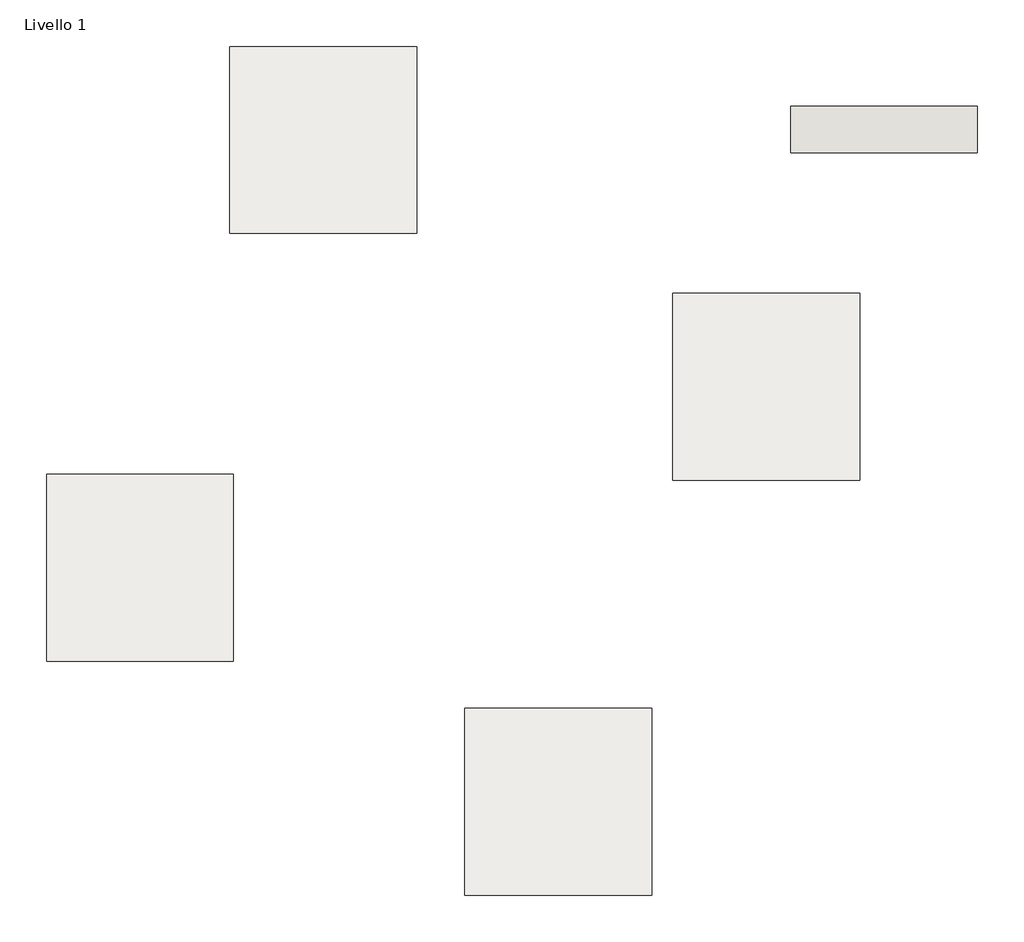
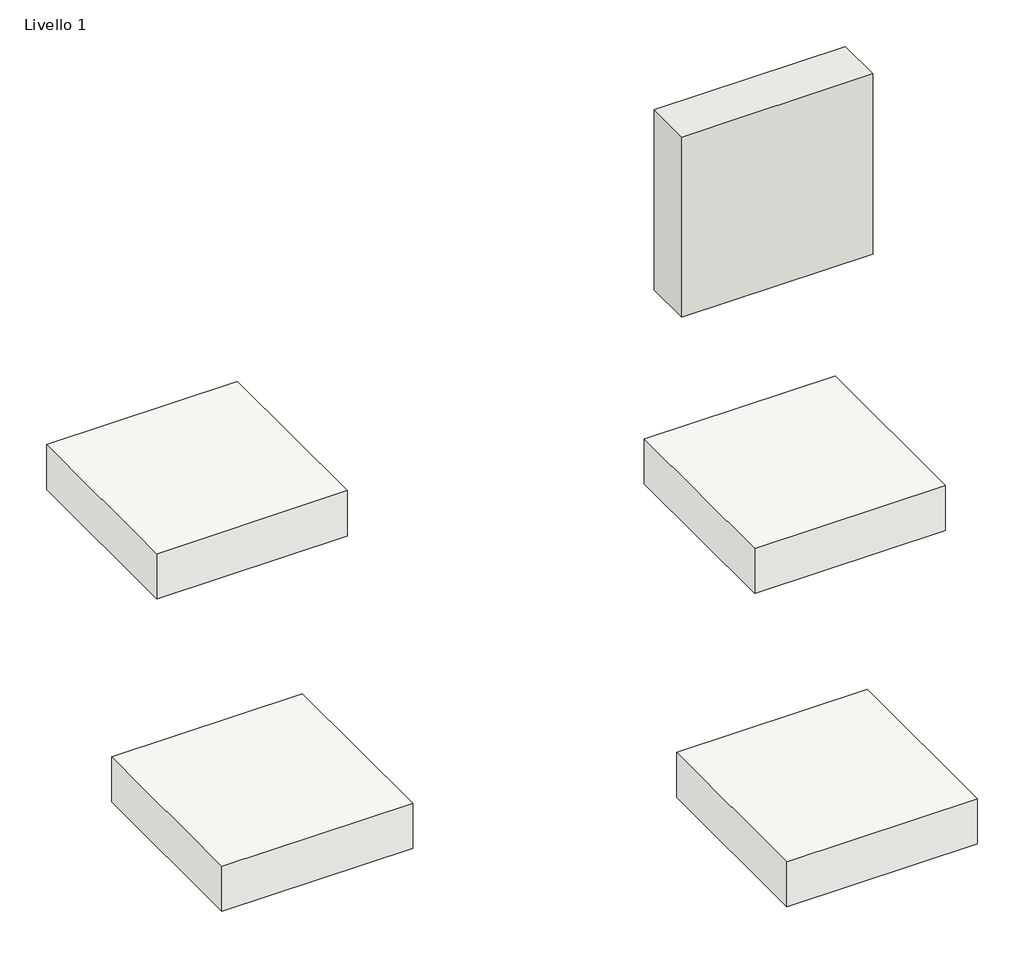
# One storey: 4 slabs, 1 wall.
"""IFC4 building model written with IfcOpenShell, lengths in millimetres."""

from ifc_helpers import new_model, si_unit, frame, origin, origin_with_axes, place, context, project, spatial, polyline, outline, extrude, element, save

model = new_model("IFC4")

# Units and contexts
model_context = context("Model", 3, world=origin())
ifc_project = project(units=[si_unit("LENGTHUNIT", "METRE", prefix="MILLI")], contexts=[model_context])

# Site, building, storey
site = spatial("IfcSite", under=ifc_project)
building = spatial("IfcBuilding", under=site)
storey = spatial("IfcBuildingStorey", under=building, Name="Livello 1", Elevation=0.0)

# Slabs
placement = place(None, origin())
element("IfcSlab", 1, at=placement, inside=storey, context=model_context, shape_type="SweptSolid", body=[
    extrude(outline(polyline([(1187.7198393, -359.8708424), (187.7198393, -359.8708424), (187.7198393, 640.1291576), (1187.7198393, 640.1291576), (1187.7198393, -359.8708424)])), frame((0.0, 0.0, -250.0), z_axis=(0.0, 0.0, 1.0), x_axis=(1.0, 0.0, 0.0)), (0.0, 0.0, 1.0), 250.0),
])
element("IfcSlab", 2, at=placement, inside=storey, context=model_context, shape_type="SweptSolid", body=[
    extrude(outline(polyline([(-2184.6297753, 960.5678527), (-2184.6297753, 1960.5678527), (-1184.6297753, 1960.5678527), (-1184.6297753, 960.5678527), (-2184.6297753, 960.5678527)])), frame((0.0, 0.0, -250.0), z_axis=(0.0, 0.0, 1.0), x_axis=(1.0, 0.0, 0.0)), (0.0, 0.0, 1.0), 250.0),
])
element("IfcSlab", 3, at=placement, inside=storey, context=model_context, shape_type="SweptSolid", body=[
    extrude(outline(polyline([(-2165.7115347, -330.3653014), (-2165.7115347, -1330.3653014), (-3165.7115347, -1330.3653014), (-3165.7115347, -330.3653014), (-2165.7115347, -330.3653014)])), frame((0.0, 0.0, -250.0), z_axis=(0.0, 0.0, 1.0), x_axis=(1.0, 0.0, 0.0)), (0.0, 0.0, 1.0), 250.0),
])
element("IfcSlab", 4, at=placement, inside=storey, context=model_context, shape_type="SweptSolid", body=[
    extrude(outline(polyline([(-926.7225518, -1582.1385618), (73.2774482, -1582.1385618), (73.2774482, -2582.1385618), (-926.7225518, -2582.1385618), (-926.7225518, -1582.1385618)])), frame((0.0, 0.0, -250.0), z_axis=(0.0, 0.0, 1.0), x_axis=(1.0, 0.0, 0.0)), (0.0, 0.0, 1.0), 250.0),
])

# Wall
element("IfcWall", 5, at=placement, inside=storey, context=model_context, shape_type="SweptSolid", body=[
    extrude(outline(polyline([(1817.7198393, 1390.5678527), (817.7198393, 1390.5678527), (817.7198393, 1640.5678527), (1817.7198393, 1640.5678527), (1817.7198393, 1390.5678527)])), origin_with_axes(), (0.0, 0.0, 1.0), 1000.0),
])

save(model, "model.ifc")
